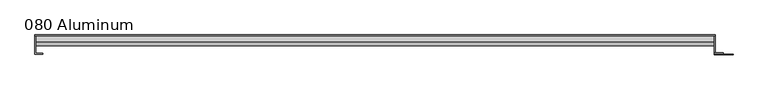
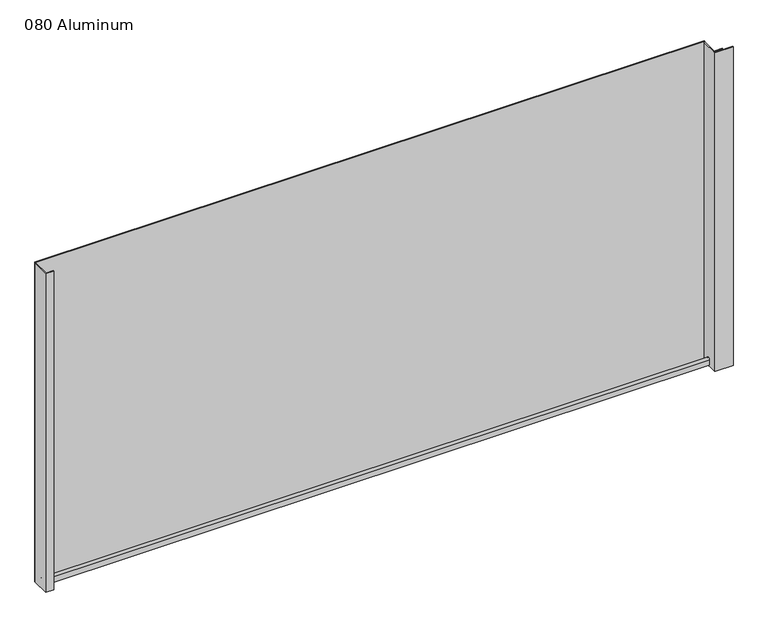
"""IFC4 building model written with IfcOpenShell, lengths in millimetres: plate geometry, 080 Aluminum."""

from ifc_helpers import new_model, si_unit, point, frame, frame_2d, origin, origin_with_axes, place, context, project, spatial, polyline, circle_curve, trimmed, segment, composite_curve, outline, extrude, source, transform, mapped, element, save


def plate_080_aluminum_e851d639(model_context):
    return source(origin(), model_context, "Body", "SweptSolid", [
        extrude(outline(polyline([(-621.03, 2.5660257), (-608.1394994, 2.5660257), (-608.1394994, 1.2699999), (-622.2999999, 1.2699999), (-622.2999999, 34.7980001), (-621.03, 34.7980001), (-621.03, 2.5660257)])), origin_with_axes(), (0.0, 0.0, 1.0), 621.03),
        extrude(outline(composite_curve([segment(trimmed(circle_curve(frame_2d((19.8514743, 13.124237)), 3.175), [point((16.6765477, 13.1458337))], [point((23.0264743, 13.124237))], False, "CARTESIAN"), True, "CONTINUOUS"), segment(polyline([(23.0264743, 13.124237), (23.0264743, 1.2693678), (34.7980002, 1.2693678), (34.7980002, 0.0), (21.7564743, 0.0), (21.7564743, 13.124237)]), True, "CONTINUOUS"), segment(trimmed(circle_curve(frame_2d((19.8514743, 13.124237)), 1.905), [point((21.7564743, 13.124237))], [point((17.9464915, 13.1323356))], True, "CARTESIAN"), True, "CONTINUOUS"), segment(polyline([(17.9464915, 13.1323356), (17.9464915, 2.786437), (16.6765477, 2.786437), (16.6765477, 13.1458337)]), True, "CONTINUOUS")], self_intersect=False)), frame((-621.03, 0.0, 0.0), z_axis=(1.0, 0.0, 0.0), x_axis=(0.0, 1.0, 0.0)), (0.0, 0.0, 1.0), 1229.36),
        extrude(outline(polyline([(-622.3, 36.068), (609.6, 36.068), (609.6, 34.7980001), (-622.3, 34.7980001), (-622.3, 36.068)])), origin_with_axes(), (0.0, 0.0, 1.0), 622.3),
        extrude(outline(polyline([(609.6, 1.2699999), (642.1120856, 1.2699999), (642.1120856, 0.0), (608.3300001, 0.0), (608.3300001, 34.7980002), (609.6, 34.7980002), (609.6, 1.2699999)])), origin_with_axes(), (0.0, 0.0, 1.0), 621.03),
        extrude(outline(polyline([(608.33, 3.3274743), (624.0779999, 3.3274743), (624.0779999, 2.0574743), (608.33, 2.0574743), (608.33, 3.3274743)])), origin_with_axes(), (0.0, 0.0, 1.0), 622.3),
    ])


if __name__ == "__main__":
    model = new_model("IFC4")
    model_context = context("Model", 3, world=origin())
    ifc_project = project(units=[si_unit("LENGTHUNIT", "METRE", prefix="MILLI")], contexts=[model_context])
    site = spatial("IfcSite", under=ifc_project)
    building = spatial("IfcBuilding", under=site)
    placement = place(None, origin())
    plate_080_aluminum_shape = plate_080_aluminum_e851d639(model_context)
    element("IfcPlate", 1, ObjectType="080 Aluminum", at=placement, inside=building, context=model_context, shape_type="MappedRepresentation", body=[
        mapped(plate_080_aluminum_shape, transform((0.0, 0.0, 0.0), x_axis=(1.0, 0.0, 0.0), y_axis=(0.0, 1.0, 0.0), z_axis=(0.0, 0.0, 1.0))),
    ])
    save(model, "model.ifc")
